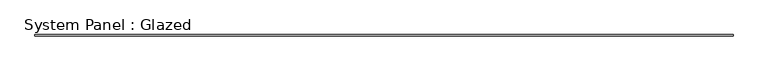
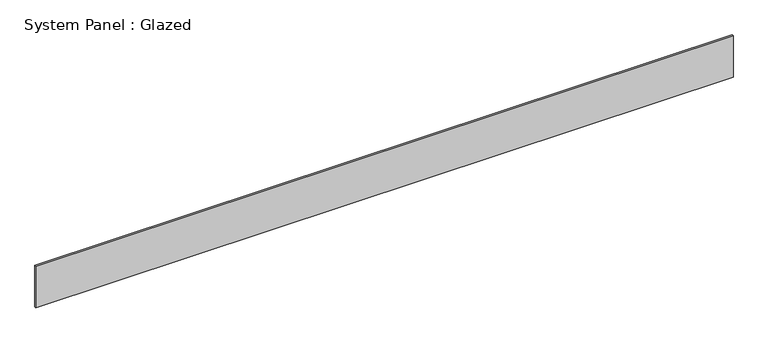
"""IFC4 building model written with IfcOpenShell, lengths in millimetres: plate geometry, System Panel : Glazed."""

from ifc_helpers import new_model, si_unit, origin, origin_with_axes, place, context, project, spatial, polyline, outline, extrude, source, transform, mapped, element, save


def system_panel_glazed_43eb3cdf(model_context):
    return source(origin(), model_context, "Body", "SweptSolid", [
        extrude(outline(polyline([(7142.6829015, 24.5), (-7142.6829015, 24.5), (-7142.6829015, 49.5), (7142.6829015, 49.5), (7142.6829015, 24.5)])), origin_with_axes(), (0.0, 0.0, 1.0), 900.0),
    ])


if __name__ == "__main__":
    model = new_model("IFC4")
    model_context = context("Model", 3, world=origin())
    ifc_project = project(units=[si_unit("LENGTHUNIT", "METRE", prefix="MILLI")], contexts=[model_context])
    site = spatial("IfcSite", under=ifc_project)
    building = spatial("IfcBuilding", under=site)
    placement = place(None, origin())
    system_panel_glazed_shape = system_panel_glazed_43eb3cdf(model_context)
    element("IfcPlate", 1, ObjectType="System Panel : Glazed", at=placement, inside=building, context=model_context, shape_type="MappedRepresentation", body=[
        mapped(system_panel_glazed_shape, transform((0.0, 0.0, 0.0), x_axis=(1.0, 0.0, 0.0), y_axis=(0.0, 1.0, 0.0), z_axis=(0.0, 0.0, 1.0))),
    ])
    save(model, "model.ifc")
